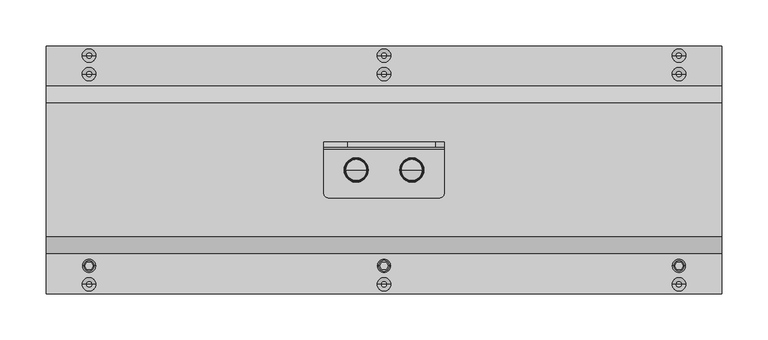
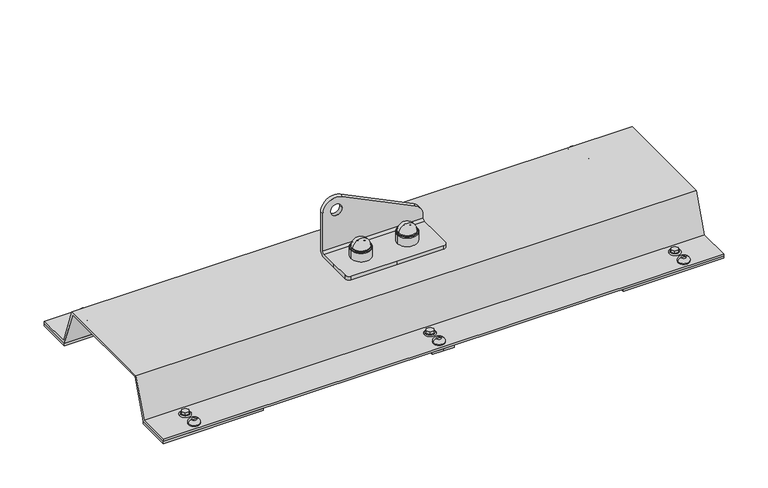
"""IFC4 building model written with IfcOpenShell, lengths in millimetres: proxy geometry."""

from ifc_helpers import new_model, si_unit, point, frame, origin, origin_with_axes, place, context, project, spatial, polyline, circle_curve, ellipse_curve, trimmed, outline, extrude, faceted_brep, source, transform, mapped, element, save
from ifc_brep_helpers import plane_surface, cylinder_surface, revolved_surface, advanced_brep


def specialty_equipment_d141619c(model_context):
    return source(origin(), model_context, "Body", "SolidModel", [
        advanced_brep(
        [(3270.0, -27.5, 61.0), (3257.0, -27.5, 61.0), (3283.0, -27.5, 61.0), (3258.8711318, -27.5, 74.769106), (3270.0, -27.5, 84.5), (3281.1288682, -27.5, 74.769106), (3258.3951125, -27.5, 74.0453749), (3281.6048875, -27.5, 74.0453749), (3257.4849619, -27.5, 73.4985013), (3282.5150381, -27.5, 73.4985013), (3257.0, -27.5, 72.641334), (3283.0, -27.5, 72.641334)],
        [
            (0, 1),
            (1, 2, circle_curve(frame((3270.0, -27.5, 61.0), z_axis=(0.0, 0.0, -1.0), x_axis=(1.0, 0.0, 0.0)), 13.0)),
            (2, 0),
            (2, 1, circle_curve(frame((3270.0, -27.5, 61.0), z_axis=(0.0, 0.0, -1.0), x_axis=(1.0, 0.0, 0.0)), 13.0)),
            (3, 4, circle_curve(frame((3270.0, -27.5, 73.2707129), z_axis=(0.0, 1.0, 0.0), x_axis=(1.0, 0.0, 0.0)), 11.2292871)),
            (4, 5, circle_curve(frame((3270.0, -27.5, 73.2707129), z_axis=(0.0, 1.0, 0.0), x_axis=(-1.0, 0.0, 0.0)), 11.2292871)),
            (5, 3, circle_curve(frame((3270.0, -27.5, 74.769106), z_axis=(0.0, 0.0, 1.0), x_axis=(1.0, 0.0, 0.0)), 11.1288682)),
            (3, 5, circle_curve(frame((3270.0, -27.5, 74.769106), z_axis=(0.0, 0.0, 1.0), x_axis=(1.0, 0.0, 0.0)), 11.1288682)),
            (6, 3, circle_curve(frame((3257.8800744, -27.5, 74.9025422), z_axis=(0.0, -1.0, 0.0), x_axis=(1.0, 0.0, 0.0)), 1.0)),
            (5, 7, circle_curve(frame((3282.1199256, -27.5, 74.9025422), z_axis=(0.0, -1.0, 0.0), x_axis=(-1.0, 0.0, 0.0)), 1.0)),
            (7, 6, circle_curve(frame((3270.0, -27.5, 74.0453749), z_axis=(0.0, 0.0, 1.0), x_axis=(1.0, 0.0, 0.0)), 11.6048875)),
            (6, 7, circle_curve(frame((3270.0, -27.5, 74.0453749), z_axis=(0.0, 0.0, 1.0), x_axis=(1.0, 0.0, 0.0)), 11.6048875)),
            (8, 6),
            (7, 9),
            (9, 8, circle_curve(frame((3270.0, -27.5, 73.4985013), z_axis=(0.0, 0.0, 1.0), x_axis=(1.0, 0.0, 0.0)), 12.5150381)),
            (8, 9, circle_curve(frame((3270.0, -27.5, 73.4985013), z_axis=(0.0, 0.0, 1.0), x_axis=(1.0, 0.0, 0.0)), 12.5150381)),
            (10, 8, circle_curve(frame((3258.0, -27.5, 72.641334), z_axis=(0.0, 1.0, 0.0), x_axis=(1.0, 0.0, 0.0)), 1.0)),
            (9, 11, circle_curve(frame((3282.0, -27.5, 72.641334), z_axis=(0.0, 1.0, 0.0), x_axis=(-1.0, 0.0, 0.0)), 1.0)),
            (11, 10, circle_curve(frame((3270.0, -27.5, 72.641334), z_axis=(0.0, 0.0, 1.0), x_axis=(1.0, 0.0, 0.0)), 13.0)),
            (10, 11, circle_curve(frame((3270.0, -27.5, 72.641334), z_axis=(0.0, 0.0, 1.0), x_axis=(1.0, 0.0, 0.0)), 13.0)),
            (1, 10),
            (11, 2),
        ],
        [
            plane_surface(frame((3270.0, -27.5, 61.0), z_axis=(0.0, 0.0, -1.0), x_axis=(1.0, 0.0, 0.0))),
            revolved_surface(trimmed(ellipse_curve(frame((3270.0, -27.5, 73.2707129), z_axis=(0.0, 1.0, 0.0), x_axis=(-1.0, 0.0, 0.0)), 11.2292871, 11.2292871), [point((3270.0, -27.5, 84.5))], [point((3281.1288682, -27.5, 74.769106))], True, "CARTESIAN"), (3270.0, -27.5, 53.3736575), (0.0, 0.0, -1.0)),
            revolved_surface(trimmed(ellipse_curve(frame((3282.1199256, -27.5, 74.9025422), z_axis=(0.0, -1.0, 0.0), x_axis=(-1.0, 0.0, 0.0)), 1.0, 1.0), [point((3281.1288682, -27.5, 74.769106))], [point((3281.6048875, -27.5, 74.0453749))], True, "CARTESIAN"), (3270.0, -27.5, 53.3736575), (0.0, 0.0, -1.0)),
            revolved_surface(polyline([(3281.6048875, -27.5, 74.0453749), (3282.5150381, -27.5, 73.4985013)]), (3270.0, -27.5, 53.3736575), (0.0, 0.0, -1.0)),
            revolved_surface(trimmed(ellipse_curve(frame((3282.0, -27.5, 72.641334), z_axis=(0.0, 1.0, 0.0), x_axis=(-1.0, 0.0, 0.0)), 1.0, 1.0), [point((3282.5150381, -27.5, 73.4985013))], [point((3283.0, -27.5, 72.641334))], True, "CARTESIAN"), (3270.0, -27.5, 53.3736575), (0.0, 0.0, -1.0)),
            cylinder_surface(frame((3270.0, -27.5, 53.3736575), z_axis=(0.0, 0.0, -1.0), x_axis=(1.0, 0.0, 0.0)), 13.0),
        ],
        [
            (0, [[1, 2, 3]]),
            (0, [[-3, 4, -1]]),
            (1, [[5, 6, 7]]),
            (1, [[-6, -5, 8]]),
            (2, [[9, -7, 10, 11]]),
            (2, [[-10, -8, -9, 12]]),
            (3, [[13, -11, 14, 15]]),
            (3, [[-14, -12, -13, 16]]),
            (4, [[17, -15, 18, 19]]),
            (4, [[-18, -16, -17, 20]]),
            (5, [[21, -19, 22, -2]]),
            (5, [[-22, -20, -21, -4]]),
        ],
    ),
        advanced_brep(
        [(3330.0, -27.5, 61.0), (3317.0, -27.5, 61.0), (3343.0, -27.5, 61.0), (3318.8711318, -27.5, 74.769106), (3330.0, -27.5, 84.5), (3341.1288682, -27.5, 74.769106), (3318.3951125, -27.5, 74.0453749), (3341.6048875, -27.5, 74.0453749), (3317.4849619, -27.5, 73.4985013), (3342.5150381, -27.5, 73.4985013), (3317.0, -27.5, 72.641334), (3343.0, -27.5, 72.641334)],
        [
            (0, 1),
            (1, 2, circle_curve(frame((3330.0, -27.5, 61.0), z_axis=(0.0, 0.0, -1.0), x_axis=(1.0, 0.0, 0.0)), 13.0)),
            (2, 0),
            (2, 1, circle_curve(frame((3330.0, -27.5, 61.0), z_axis=(0.0, 0.0, -1.0), x_axis=(1.0, 0.0, 0.0)), 13.0)),
            (3, 4, circle_curve(frame((3330.0, -27.5, 73.2707129), z_axis=(0.0, 1.0, 0.0), x_axis=(1.0, 0.0, 0.0)), 11.2292871)),
            (4, 5, circle_curve(frame((3330.0, -27.5, 73.2707129), z_axis=(0.0, 1.0, 0.0), x_axis=(-1.0, 0.0, 0.0)), 11.2292871)),
            (5, 3, circle_curve(frame((3330.0, -27.5, 74.769106), z_axis=(0.0, 0.0, 1.0), x_axis=(1.0, 0.0, 0.0)), 11.1288682)),
            (3, 5, circle_curve(frame((3330.0, -27.5, 74.769106), z_axis=(0.0, 0.0, 1.0), x_axis=(1.0, 0.0, 0.0)), 11.1288682)),
            (6, 3, circle_curve(frame((3317.8800744, -27.5, 74.9025422), z_axis=(0.0, -1.0, 0.0), x_axis=(1.0, 0.0, 0.0)), 1.0)),
            (5, 7, circle_curve(frame((3342.1199256, -27.5, 74.9025422), z_axis=(0.0, -1.0, 0.0), x_axis=(-1.0, 0.0, 0.0)), 1.0)),
            (7, 6, circle_curve(frame((3330.0, -27.5, 74.0453749), z_axis=(0.0, 0.0, 1.0), x_axis=(1.0, 0.0, 0.0)), 11.6048875)),
            (6, 7, circle_curve(frame((3330.0, -27.5, 74.0453749), z_axis=(0.0, 0.0, 1.0), x_axis=(1.0, 0.0, 0.0)), 11.6048875)),
            (8, 6),
            (7, 9),
            (9, 8, circle_curve(frame((3330.0, -27.5, 73.4985013), z_axis=(0.0, 0.0, 1.0), x_axis=(1.0, 0.0, 0.0)), 12.5150381)),
            (8, 9, circle_curve(frame((3330.0, -27.5, 73.4985013), z_axis=(0.0, 0.0, 1.0), x_axis=(1.0, 0.0, 0.0)), 12.5150381)),
            (10, 8, circle_curve(frame((3318.0, -27.5, 72.641334), z_axis=(0.0, 1.0, 0.0), x_axis=(1.0, 0.0, 0.0)), 1.0)),
            (9, 11, circle_curve(frame((3342.0, -27.5, 72.641334), z_axis=(0.0, 1.0, 0.0), x_axis=(-1.0, 0.0, 0.0)), 1.0)),
            (11, 10, circle_curve(frame((3330.0, -27.5, 72.641334), z_axis=(0.0, 0.0, 1.0), x_axis=(1.0, 0.0, 0.0)), 13.0)),
            (10, 11, circle_curve(frame((3330.0, -27.5, 72.641334), z_axis=(0.0, 0.0, 1.0), x_axis=(1.0, 0.0, 0.0)), 13.0)),
            (1, 10),
            (11, 2),
        ],
        [
            plane_surface(frame((3330.0, -27.5, 61.0), z_axis=(0.0, 0.0, -1.0), x_axis=(1.0, 0.0, 0.0))),
            revolved_surface(trimmed(ellipse_curve(frame((3330.0, -27.5, 73.2707129), z_axis=(0.0, 1.0, 0.0), x_axis=(-1.0, 0.0, 0.0)), 11.2292871, 11.2292871), [point((3330.0, -27.5, 84.5))], [point((3341.1288682, -27.5, 74.769106))], True, "CARTESIAN"), (3330.0, -27.5, 53.3736575), (0.0, 0.0, -1.0)),
            revolved_surface(trimmed(ellipse_curve(frame((3342.1199256, -27.5, 74.9025422), z_axis=(0.0, -1.0, 0.0), x_axis=(-1.0, 0.0, 0.0)), 1.0, 1.0), [point((3341.1288682, -27.5, 74.769106))], [point((3341.6048875, -27.5, 74.0453749))], True, "CARTESIAN"), (3330.0, -27.5, 53.3736575), (0.0, 0.0, -1.0)),
            revolved_surface(polyline([(3341.6048875, -27.5, 74.0453749), (3342.5150381, -27.5, 73.4985013)]), (3330.0, -27.5, 53.3736575), (0.0, 0.0, -1.0)),
            revolved_surface(trimmed(ellipse_curve(frame((3342.0, -27.5, 72.641334), z_axis=(0.0, 1.0, 0.0), x_axis=(-1.0, 0.0, 0.0)), 1.0, 1.0), [point((3342.5150381, -27.5, 73.4985013))], [point((3343.0, -27.5, 72.641334))], True, "CARTESIAN"), (3330.0, -27.5, 53.3736575), (0.0, 0.0, -1.0)),
            cylinder_surface(frame((3330.0, -27.5, 53.3736575), z_axis=(0.0, 0.0, -1.0), x_axis=(1.0, 0.0, 0.0)), 13.0),
        ],
        [
            (0, [[1, 2, 3]]),
            (0, [[-3, 4, -1]]),
            (1, [[5, 6, 7]]),
            (1, [[-6, -5, 8]]),
            (2, [[9, -7, 10, 11]]),
            (2, [[-10, -8, -9, 12]]),
            (3, [[13, -11, 14, 15]]),
            (3, [[-14, -12, -13, 16]]),
            (4, [[17, -15, 18, 19]]),
            (4, [[-18, -16, -17, 20]]),
            (5, [[21, -19, 22, -2]]),
            (5, [[-22, -20, -21, -4]]),
        ],
    ),
        advanced_brep(
        [(3235.0, -2.5, 114.5), (3235.0, -2.5, 64.0), (3365.0, -2.5, 64.0), (3365.0, -2.5, 68.1654041), (3355.1714951, -2.5, 83.8942999), (3260.1714951, -2.5, 130.2288958), (3245.0, -2.5, 114.5), (3260.0, -2.5, 114.5), (3365.0, 2.5, 68.1654041), (3365.0, 2.5, 64.0), (3235.0, 2.5, 64.0), (3235.0, 2.5, 114.5), (3260.1714951, 2.5, 130.2288958), (3355.1714951, 2.5, 83.8942999), (3245.0, 2.5, 114.5), (3260.0, 2.5, 114.5), (3365.0, -27.5, 61.0), (3365.0, -5.5, 61.0), (3235.0, -5.5, 61.0), (3235.0, -27.5, 61.0), (3235.0, -52.5, 61.0), (3240.0, -57.5, 61.0), (3300.0, -57.5, 61.0), (3360.0, -57.5, 61.0), (3365.0, -52.5, 61.0), (3235.0, -27.5, 56.0), (3235.0, -5.5, 56.0), (3365.0, -5.5, 56.0), (3365.0, -27.5, 56.0), (3365.0, -52.5, 56.0), (3360.0, -57.5, 56.0), (3300.0, -57.5, 56.0), (3240.0, -57.5, 56.0), (3235.0, -52.5, 56.0)],
        [
            (0, 1),
            (1, 2),
            (2, 3),
            (3, 4, circle_curve(frame((3347.5, -2.5, 68.1654041), z_axis=(0.0, -1.0, 0.0), x_axis=(1.0, 0.0, 0.0)), 17.5)),
            (4, 5),
            (5, 0, circle_curve(frame((3252.5, -2.5, 114.5), z_axis=(0.0, -1.0, 0.0), x_axis=(1.0, 0.0, 0.0)), 17.5)),
            (6, 7, circle_curve(frame((3252.5, -2.5, 114.5), z_axis=(0.0, 1.0, 0.0), x_axis=(1.0, 0.0, 0.0)), 7.5)),
            (7, 6, circle_curve(frame((3252.5, -2.5, 114.5), z_axis=(0.0, 1.0, 0.0), x_axis=(1.0, 0.0, 0.0)), 7.5)),
            (8, 9),
            (9, 10),
            (10, 11),
            (11, 12, circle_curve(frame((3252.5, 2.5, 114.5), z_axis=(0.0, 1.0, 0.0), x_axis=(1.0, 0.0, 0.0)), 17.5)),
            (12, 13),
            (13, 8, circle_curve(frame((3347.5, 2.5, 68.1654041), z_axis=(0.0, 1.0, 0.0), x_axis=(1.0, 0.0, 0.0)), 17.5)),
            (14, 15, circle_curve(frame((3252.5, 2.5, 114.5), z_axis=(0.0, -1.0, 0.0), x_axis=(1.0, 0.0, 0.0)), 7.5)),
            (15, 14, circle_curve(frame((3252.5, 2.5, 114.5), z_axis=(0.0, -1.0, 0.0), x_axis=(1.0, 0.0, 0.0)), 7.5)),
            (16, 17),
            (17, 18),
            (18, 19),
            (19, 20),
            (20, 21, circle_curve(frame((3240.0, -52.5, 61.0), z_axis=(0.0, 0.0, 1.0), x_axis=(0.0, 1.0, 0.0)), 5.0)),
            (21, 22),
            (22, 23),
            (23, 24, circle_curve(frame((3360.0, -52.5, 61.0), z_axis=(0.0, 0.0, 1.0), x_axis=(0.0, 1.0, 0.0)), 5.0)),
            (24, 16),
            (25, 26),
            (26, 27),
            (27, 28),
            (28, 29),
            (29, 30, circle_curve(frame((3360.0, -52.5, 56.0), z_axis=(0.0, 0.0, -1.0), x_axis=(0.0, 1.0, 0.0)), 5.0)),
            (30, 31),
            (31, 32),
            (32, 33, circle_curve(frame((3240.0, -52.5, 56.0), z_axis=(0.0, 0.0, -1.0), x_axis=(0.0, 1.0, 0.0)), 5.0)),
            (33, 25),
            (24, 29),
            (28, 16),
            (23, 30),
            (22, 31),
            (21, 32),
            (20, 33),
            (19, 25),
            (1, 18, circle_curve(frame((3235.0, -5.5, 64.0), z_axis=(-1.0, 0.0, 0.0), x_axis=(0.0, 1.0, 0.0)), 3.0)),
            (17, 2, circle_curve(frame((3365.0, -5.5, 64.0), z_axis=(1.0, 0.0, 0.0), x_axis=(0.0, 1.0, 0.0)), 3.0)),
            (10, 26, circle_curve(frame((3235.0, -5.5, 64.0), z_axis=(-1.0, 0.0, 0.0), x_axis=(0.0, 1.0, 0.0)), 8.0)),
            (0, 11),
            (5, 12),
            (4, 13),
            (3, 8),
            (27, 9, circle_curve(frame((3365.0, -5.5, 64.0), z_axis=(1.0, 0.0, 0.0), x_axis=(0.0, 1.0, 0.0)), 8.0)),
            (7, 15),
            (14, 6),
        ],
        [
            plane_surface(frame((3235.0, -2.5, 61.0), z_axis=(0.0, -1.0, 0.0), x_axis=(0.0, 0.0, 1.0))),
            plane_surface(frame((3235.0, 2.5, 61.0), z_axis=(0.0, 1.0, 0.0), x_axis=(0.0, 0.0, -1.0))),
            plane_surface(frame((3365.0, 2.5, 61.0), z_axis=(0.0, 0.0, 1.0), x_axis=(0.0, -1.0, 0.0))),
            plane_surface(frame((3365.0, 2.5, 56.0), z_axis=(0.0, 0.0, -1.0), x_axis=(0.0, 1.0, 0.0))),
            plane_surface(frame((3365.0, -27.5, 61.0), z_axis=(1.0, 0.0, 0.0), x_axis=(0.0, 0.0, -1.0))),
            cylinder_surface(frame((3360.0, -52.5, 56.0), z_axis=(0.0, 0.0, 1.0), x_axis=(0.0, 1.0, 0.0)), 5.0),
            plane_surface(frame((3360.0, -57.5, 61.0), z_axis=(0.0, -1.0, 0.0), x_axis=(0.0, 0.0, -1.0))),
            plane_surface(frame((3300.0, -57.5, 61.0), z_axis=(0.0, -1.0, 0.0), x_axis=(0.0, 0.0, -1.0))),
            cylinder_surface(frame((3240.0, -52.5, 56.0), z_axis=(0.0, 0.0, 1.0), x_axis=(0.0, 1.0, 0.0)), 5.0),
            plane_surface(frame((3235.0, -52.5, 61.0), z_axis=(-1.0, 0.0, 0.0), x_axis=(0.0, 0.0, -1.0))),
            revolved_surface(polyline([(3365.0, -2.5, 64.0), (3235.0, -2.5, 64.0)]), (3365.0, -5.5, 64.0), (1.0, 0.0, 0.0)),
            plane_surface(frame((3235.0, -2.5, 61.0), z_axis=(-1.0, 0.0, 0.0), x_axis=(0.0, 1.0, 0.0))),
            cylinder_surface(frame((3252.5, 2.5, 114.5), z_axis=(0.0, -1.0, 0.0), x_axis=(1.0, 0.0, 0.0)), 17.5),
            plane_surface(frame((3260.1714951, -2.5, 130.2288958), z_axis=(0.43837114678908046, 0.0, 0.8987940462991656), x_axis=(0.0, 1.0, 0.0))),
            cylinder_surface(frame((3347.5, 2.5, 68.1654041), z_axis=(0.0, -1.0, 0.0), x_axis=(1.0, 0.0, 0.0)), 17.5),
            plane_surface(frame((3365.0, -2.5, 68.1654041), z_axis=(1.0, 0.0, 0.0), x_axis=(0.0, 1.0, 0.0))),
            cylinder_surface(frame((3365.0, -5.5, 64.0), z_axis=(1.0, 0.0, 0.0), x_axis=(0.0, 1.0, 0.0)), 8.0),
            revolved_surface(polyline([(3260.0, 2.5, 114.5), (3260.0, -2.5, 114.5)]), (3252.5, 106.0, 114.5), (0.0, 1.0, 0.0)),
        ],
        [
            (0, [[1, 2, 3, 4, 5, 6], [7, 8]]),
            (1, [[9, 10, 11, 12, 13, 14], [15, 16]]),
            (2, [[17, 18, 19, 20, 21, 22, 23, 24, 25]]),
            (3, [[26, 27, 28, 29, 30, 31, 32, 33, 34]]),
            (4, [[35, -29, 36, -25]]),
            (5, [[37, -30, -35, -24]]),
            (6, [[38, -31, -37, -23]]),
            (7, [[39, -32, -38, -22]]),
            (8, [[40, -33, -39, -21]]),
            (9, [[41, -34, -40, -20]]),
            (10, [[-2, 42, -18, 43]]),
            (11, [[-11, 44, -26, -41, -19, -42, -1, 45]]),
            (12, [[46, -12, -45, -6]]),
            (13, [[47, -13, -46, -5]]),
            (14, [[48, -14, -47, -4]]),
            (15, [[-3, -43, -17, -36, -28, 49, -9, -48]]),
            (16, [[-49, -27, -44, -10]]),
            (17, [[50, -15, 51, -8]]),
            (17, [[-51, -16, -50, -7]]),
        ],
    ),
        extrude(outline(polyline([(61.0, 3.0), (42.7695663, 53.0877048), (-97.7695663, 53.0877048), (-116.0, 3.0), (-161.0, 3.0), (-161.0, 6.0), (-118.1006226, 6.0), (-99.870189, 56.0877048), (44.870189, 56.0877048), (63.1006226, 6.0), (106.0, 6.0), (106.0, 3.0), (61.0, 3.0)])), frame((2936.0, 0.0, 0.0), z_axis=(1.0, 0.0, 0.0), x_axis=(0.0, 1.0, 0.0)), (0.0, 0.0, 1.0), 728.0),
        extrude(outline(polyline([(3534.0, 106.0), (3664.0, 106.0), (3664.0, 61.0), (3534.0, 61.0), (3534.0, 106.0)])), origin_with_axes(), (0.0, 0.0, 1.0), 3.0),
        extrude(outline(polyline([(3066.0, 106.0), (3066.0, 61.0), (2936.0, 61.0), (2936.0, 106.0), (3066.0, 106.0)])), origin_with_axes(), (0.0, 0.0, 1.0), 3.0),
        extrude(outline(polyline([(3534.0, -161.0), (3534.0, -116.0), (3664.0, -116.0), (3664.0, -161.0), (3534.0, -161.0)])), origin_with_axes(), (0.0, 0.0, 1.0), 3.0),
        extrude(outline(polyline([(3066.0, -161.0), (2936.0, -161.0), (2936.0, -116.0), (3066.0, -116.0), (3066.0, -161.0)])), origin_with_axes(), (0.0, 0.0, 1.0), 3.0),
        extrude(outline(polyline([(3300.0, 106.0), (3314.1113894, 106.0), (3314.1113894, 61.0), (3300.0, 61.0), (3285.8886106, 61.0), (3285.8886106, 106.0), (3300.0, 106.0)])), origin_with_axes(), (0.0, 0.0, 1.0), 3.0),
        extrude(outline(polyline([(3300.0, -161.0), (3285.8886106, -161.0), (3285.8886106, -116.0), (3300.0, -116.0), (3314.1113894, -116.0), (3314.1113894, -161.0), (3300.0, -161.0)])), origin_with_axes(), (0.0, 0.0, 1.0), 3.0),
        faceted_brep([(3613.4048805, -131.0, 11.0), (3615.7024402, -134.9794903, 11.0), (3620.2975598, -134.9794903, 11.0), (3622.5951195, -131.0, 11.0), (3620.2975598, -127.0205097, 11.0), (3615.7024402, -127.0205097, 11.0), (3613.4048805, -131.0, 7.5), (3615.7024402, -127.0205097, 7.5), (3620.2975598, -127.0205097, 7.5), (3622.5951195, -131.0, 7.5), (3620.2975598, -134.9794903, 7.5), (3615.7024402, -134.9794903, 7.5)], [[[0, 1, 2, 3, 4, 5]], [[6, 7, 8, 9, 10, 11]], [[5, 7, 6, 0]], [[4, 8, 7, 5]], [[3, 9, 8, 4]], [[2, 10, 9, 3]], [[1, 11, 10, 2]], [[0, 6, 11, 1]]]),
        advanced_brep(
        [(3295.4048805, -131.0, 11.0), (3297.7024402, -134.9794903, 11.0), (3302.2975598, -134.9794903, 11.0), (3304.5951195, -131.0, 11.0), (3302.2975598, -127.0205097, 11.0), (3297.7024402, -127.0205097, 11.0), (3297.7024402, -127.0205097, 7.5), (3295.4048805, -131.0, 7.5), (3302.2975598, -127.0205097, 7.5), (3304.5951195, -131.0, 7.5), (3302.2975598, -134.9794903, 7.5), (3297.7024402, -134.9794903, 7.5), (3292.7154193, -131.0, 6.0), (3300.0, -131.0, 6.0), (3307.2845807, -131.0, 6.0), (3305.7845807, -131.0, 7.5), (3294.2154193, -131.0, 7.5)],
        [
            (0, 1),
            (1, 2),
            (2, 3),
            (3, 4),
            (4, 5),
            (5, 0),
            (5, 6),
            (6, 7),
            (7, 0),
            (4, 8),
            (8, 6),
            (3, 9),
            (9, 8),
            (2, 10),
            (10, 9),
            (1, 11),
            (11, 10),
            (7, 11),
            (12, 13),
            (13, 14),
            (14, 12, circle_curve(frame((3300.0, -131.0, 6.0), z_axis=(0.0, 0.0, -1.0), x_axis=(1.0, 0.0, 0.0)), 7.2845807)),
            (12, 14, circle_curve(frame((3300.0, -131.0, 6.0), z_axis=(0.0, 0.0, -1.0), x_axis=(1.0, 0.0, 0.0)), 7.2845807)),
            (15, 9),
            (7, 16),
            (16, 15, circle_curve(frame((3300.0, -131.0, 7.5), z_axis=(0.0, 0.0, 1.0), x_axis=(1.0, 0.0, 0.0)), 5.7845807)),
            (15, 16, circle_curve(frame((3300.0, -131.0, 7.5), z_axis=(0.0, 0.0, 1.0), x_axis=(1.0, 0.0, 0.0)), 5.7845807)),
            (14, 15, circle_curve(frame((3305.7845807, -131.0, 6.0), z_axis=(0.0, -1.0, 0.0), x_axis=(1.0, 0.0, 0.0)), 1.5)),
            (16, 12, circle_curve(frame((3294.2154193, -131.0, 6.0), z_axis=(0.0, -1.0, 0.0), x_axis=(-1.0, 0.0, 0.0)), 1.5)),
        ],
        [
            plane_surface(frame((3615.7024402, -127.0205097, 11.0), z_axis=(0.0, 0.0, 1.0), x_axis=(0.49999999999903916, 0.8660254037849934, 0.0))),
            plane_surface(frame((3295.4048805, -131.0, 11.0), z_axis=(-0.8660254037844972, 0.4999999999998985, 0.0), x_axis=(0.0, 0.0, -1.0))),
            plane_surface(frame((3297.7024402, -127.0205097, 11.0), z_axis=(0.0, 1.0, 0.0), x_axis=(0.0, 0.0, -1.0))),
            plane_surface(frame((3302.2975598, -127.0205097, 11.0), z_axis=(0.86602540378451, 0.49999999999987643, 0.0), x_axis=(0.0, 0.0, -1.0))),
            plane_surface(frame((3304.5951195, -131.0, 11.0), z_axis=(0.8660254037843756, -0.5000000000001092, 0.0), x_axis=(0.0, 0.0, -1.0))),
            plane_surface(frame((3302.2975598, -134.9794903, 11.0), z_axis=(0.0, -1.0, 0.0), x_axis=(0.0, 0.0, -1.0))),
            plane_surface(frame((3297.7024402, -134.9794903, 11.0), z_axis=(-0.8660254037843756, -0.5000000000001092, 0.0), x_axis=(0.0, 0.0, -1.0))),
            plane_surface(frame((3300.0, -131.0, 6.0), z_axis=(0.0, 0.0, -1.0), x_axis=(1.0, 0.0, 0.0))),
            plane_surface(frame((3300.0, -131.0, 7.5), z_axis=(0.0, 0.0, 1.0), x_axis=(1.0, 0.0, 0.0))),
            revolved_surface(trimmed(ellipse_curve(frame((3305.7845807, -131.0, 6.0), z_axis=(0.0, -1.0, 0.0), x_axis=(1.0, 0.0, 0.0)), 1.5, 1.5), [point((3307.2845807, -131.0, 6.0))], [point((3305.7845807, -131.0, 7.5))], True, "CARTESIAN"), (3300.0, -131.0, -55.0), (0.0, 0.0, 1.0)),
        ],
        [
            (0, [[1, 2, 3, 4, 5, 6]]),
            (1, [[7, 8, 9, -6]]),
            (2, [[10, 11, -7, -5]]),
            (3, [[12, 13, -10, -4]]),
            (4, [[14, 15, -12, -3]]),
            (5, [[16, 17, -14, -2]]),
            (6, [[-9, 18, -16, -1]]),
            (7, [[19, 20, 21]]),
            (7, [[-19, 22, -20]]),
            (8, [[23, -15, -17, -18, 24, 25]]),
            (8, [[-24, -8, -11, -13, -23, 26]]),
            (9, [[27, -25, 28, -21]]),
            (9, [[-28, -26, -27, -22]]),
        ],
    ),
        faceted_brep([(2986.5951195, -131.0, 11.0), (2984.2975598, -127.0205097, 11.0), (2979.7024402, -127.0205097, 11.0), (2977.4048805, -131.0, 11.0), (2979.7024402, -134.9794903, 11.0), (2984.2975598, -134.9794903, 11.0), (2986.5951195, -131.0, 7.5), (2984.2975598, -134.9794903, 7.5), (2979.7024402, -134.9794903, 7.5), (2977.4048805, -131.0, 7.5), (2979.7024402, -127.0205097, 7.5), (2984.2975598, -127.0205097, 7.5)], [[[0, 1, 2, 3, 4, 5]], [[6, 7, 8, 9, 10, 11]], [[5, 7, 6, 0]], [[4, 8, 7, 5]], [[3, 9, 8, 4]], [[2, 10, 9, 3]], [[1, 11, 10, 2]], [[0, 6, 11, 1]]]),
        advanced_brep(
        [(2974.7019875, -151.0, 6.0), (2982.0, -151.0, 6.0), (2989.2980125, -151.0, 6.0), (2974.7019875, -151.0, 7.5), (2989.2980125, -151.0, 7.5), (2978.7019875, -151.0, 11.5), (2985.2980125, -151.0, 11.5), (2982.0, -151.0, 11.5)],
        [
            (0, 1),
            (1, 2),
            (2, 0, circle_curve(frame((2982.0, -151.0, 6.0), z_axis=(0.0, 0.0, -1.0), x_axis=(1.0, 0.0, 0.0)), 7.2980125)),
            (0, 2, circle_curve(frame((2982.0, -151.0, 6.0), z_axis=(0.0, 0.0, -1.0), x_axis=(1.0, 0.0, 0.0)), 7.2980125)),
            (3, 0),
            (2, 4),
            (4, 3, circle_curve(frame((2982.0, -151.0, 7.5), z_axis=(0.0, 0.0, -1.0), x_axis=(1.0, 0.0, 0.0)), 7.2980125)),
            (3, 4, circle_curve(frame((2982.0, -151.0, 7.5), z_axis=(0.0, 0.0, -1.0), x_axis=(1.0, 0.0, 0.0)), 7.2980125)),
            (5, 3, circle_curve(frame((2978.7019875, -151.0, 7.5), z_axis=(0.0, -1.0, 0.0), x_axis=(-1.0, 0.0, 0.0)), 4.0)),
            (4, 6, circle_curve(frame((2985.2980125, -151.0, 7.5), z_axis=(0.0, -1.0, 0.0), x_axis=(1.0, 0.0, 0.0)), 4.0)),
            (6, 5, circle_curve(frame((2982.0, -151.0, 11.5), z_axis=(0.0, 0.0, -1.0), x_axis=(1.0, 0.0, 0.0)), 3.2980125)),
            (5, 6, circle_curve(frame((2982.0, -151.0, 11.5), z_axis=(0.0, 0.0, -1.0), x_axis=(1.0, 0.0, 0.0)), 3.2980125)),
            (7, 5),
            (6, 7),
        ],
        [
            plane_surface(frame((2982.0, -151.0, 6.0), z_axis=(0.0, 0.0, -1.0), x_axis=(1.0, 0.0, 0.0))),
            cylinder_surface(frame((2982.0, -151.0, -55.0), z_axis=(0.0, 0.0, 1.0), x_axis=(1.0, 0.0, 0.0)), 7.2980125),
            revolved_surface(trimmed(ellipse_curve(frame((2985.2980125, -151.0, 7.5), z_axis=(0.0, -1.0, 0.0), x_axis=(1.0, 0.0, 0.0)), 4.0, 4.0), [point((2989.2980125, -151.0, 7.5))], [point((2985.2980125, -151.0, 11.5))], True, "CARTESIAN"), (2982.0, -151.0, -55.0), (0.0, 0.0, 1.0)),
            plane_surface(frame((2982.0, -151.0, 11.5), z_axis=(0.0, 0.0, 1.0), x_axis=(1.0, 0.0, 0.0))),
        ],
        [
            (0, [[1, 2, 3]]),
            (0, [[-2, -1, 4]]),
            (1, [[5, -3, 6, 7]]),
            (1, [[-6, -4, -5, 8]]),
            (2, [[9, -7, 10, 11]]),
            (2, [[-10, -8, -9, 12]]),
            (3, [[13, -11, 14]]),
            (3, [[-14, -12, -13]]),
        ],
    ),
        advanced_brep(
        [(3292.7019875, -151.0, 6.0), (3300.0, -151.0, 6.0), (3307.2980125, -151.0, 6.0), (3292.7019875, -151.0, 7.5), (3307.2980125, -151.0, 7.5), (3296.7019875, -151.0, 11.5), (3303.2980125, -151.0, 11.5), (3300.0, -151.0, 11.5)],
        [
            (0, 1),
            (1, 2),
            (2, 0, circle_curve(frame((3300.0, -151.0, 6.0), z_axis=(0.0, 0.0, -1.0), x_axis=(1.0, 0.0, 0.0)), 7.2980125)),
            (0, 2, circle_curve(frame((3300.0, -151.0, 6.0), z_axis=(0.0, 0.0, -1.0), x_axis=(1.0, 0.0, 0.0)), 7.2980125)),
            (3, 0),
            (2, 4),
            (4, 3, circle_curve(frame((3300.0, -151.0, 7.5), z_axis=(0.0, 0.0, -1.0), x_axis=(1.0, 0.0, 0.0)), 7.2980125)),
            (3, 4, circle_curve(frame((3300.0, -151.0, 7.5), z_axis=(0.0, 0.0, -1.0), x_axis=(1.0, 0.0, 0.0)), 7.2980125)),
            (5, 3, circle_curve(frame((3296.7019875, -151.0, 7.5), z_axis=(0.0, -1.0, 0.0), x_axis=(-1.0, 0.0, 0.0)), 4.0)),
            (4, 6, circle_curve(frame((3303.2980125, -151.0, 7.5), z_axis=(0.0, -1.0, 0.0), x_axis=(1.0, 0.0, 0.0)), 4.0)),
            (6, 5, circle_curve(frame((3300.0, -151.0, 11.5), z_axis=(0.0, 0.0, -1.0), x_axis=(1.0, 0.0, 0.0)), 3.2980125)),
            (5, 6, circle_curve(frame((3300.0, -151.0, 11.5), z_axis=(0.0, 0.0, -1.0), x_axis=(1.0, 0.0, 0.0)), 3.2980125)),
            (7, 5),
            (6, 7),
        ],
        [
            plane_surface(frame((3300.0, -151.0, 6.0), z_axis=(0.0, 0.0, -1.0), x_axis=(1.0, 0.0, 0.0))),
            cylinder_surface(frame((3300.0, -151.0, -55.0), z_axis=(0.0, 0.0, 1.0), x_axis=(1.0, 0.0, 0.0)), 7.2980125),
            revolved_surface(trimmed(ellipse_curve(frame((3303.2980125, -151.0, 7.5), z_axis=(0.0, -1.0, 0.0), x_axis=(1.0, 0.0, 0.0)), 4.0, 4.0), [point((3307.2980125, -151.0, 7.5))], [point((3303.2980125, -151.0, 11.5))], True, "CARTESIAN"), (3300.0, -151.0, -55.0), (0.0, 0.0, 1.0)),
            plane_surface(frame((3300.0, -151.0, 11.5), z_axis=(0.0, 0.0, 1.0), x_axis=(1.0, 0.0, 0.0))),
        ],
        [
            (0, [[1, 2, 3]]),
            (0, [[-2, -1, 4]]),
            (1, [[5, -3, 6, 7]]),
            (1, [[-6, -4, -5, 8]]),
            (2, [[9, -7, 10, 11]]),
            (2, [[-10, -8, -9, 12]]),
            (3, [[13, -11, 14]]),
            (3, [[-14, -12, -13]]),
        ],
    ),
        advanced_brep(
        [(3610.7019875, -151.0, 6.0), (3618.0, -151.0, 6.0), (3625.2980125, -151.0, 6.0), (3610.7019875, -151.0, 7.5), (3625.2980125, -151.0, 7.5), (3614.7019875, -151.0, 11.5), (3621.2980125, -151.0, 11.5), (3618.0, -151.0, 11.5)],
        [
            (0, 1),
            (1, 2),
            (2, 0, circle_curve(frame((3618.0, -151.0, 6.0), z_axis=(0.0, 0.0, -1.0), x_axis=(1.0, 0.0, 0.0)), 7.2980125)),
            (0, 2, circle_curve(frame((3618.0, -151.0, 6.0), z_axis=(0.0, 0.0, -1.0), x_axis=(1.0, 0.0, 0.0)), 7.2980125)),
            (3, 0),
            (2, 4),
            (4, 3, circle_curve(frame((3618.0, -151.0, 7.5), z_axis=(0.0, 0.0, -1.0), x_axis=(1.0, 0.0, 0.0)), 7.2980125)),
            (3, 4, circle_curve(frame((3618.0, -151.0, 7.5), z_axis=(0.0, 0.0, -1.0), x_axis=(1.0, 0.0, 0.0)), 7.2980125)),
            (5, 3, circle_curve(frame((3614.7019875, -151.0, 7.5), z_axis=(0.0, -1.0, 0.0), x_axis=(-1.0, 0.0, 0.0)), 4.0)),
            (4, 6, circle_curve(frame((3621.2980125, -151.0, 7.5), z_axis=(0.0, -1.0, 0.0), x_axis=(1.0, 0.0, 0.0)), 4.0)),
            (6, 5, circle_curve(frame((3618.0, -151.0, 11.5), z_axis=(0.0, 0.0, -1.0), x_axis=(1.0, 0.0, 0.0)), 3.2980125)),
            (5, 6, circle_curve(frame((3618.0, -151.0, 11.5), z_axis=(0.0, 0.0, -1.0), x_axis=(1.0, 0.0, 0.0)), 3.2980125)),
            (7, 5),
            (6, 7),
        ],
        [
            plane_surface(frame((3618.0, -151.0, 6.0), z_axis=(0.0, 0.0, -1.0), x_axis=(1.0, 0.0, 0.0))),
            cylinder_surface(frame((3618.0, -151.0, -55.0), z_axis=(0.0, 0.0, 1.0), x_axis=(1.0, 0.0, 0.0)), 7.2980125),
            revolved_surface(trimmed(ellipse_curve(frame((3621.2980125, -151.0, 7.5), z_axis=(0.0, -1.0, 0.0), x_axis=(1.0, 0.0, 0.0)), 4.0, 4.0), [point((3625.2980125, -151.0, 7.5))], [point((3621.2980125, -151.0, 11.5))], True, "CARTESIAN"), (3618.0, -151.0, -55.0), (0.0, 0.0, 1.0)),
            plane_surface(frame((3618.0, -151.0, 11.5), z_axis=(0.0, 0.0, 1.0), x_axis=(1.0, 0.0, 0.0))),
        ],
        [
            (0, [[1, 2, 3]]),
            (0, [[-2, -1, 4]]),
            (1, [[5, -3, 6, 7]]),
            (1, [[-6, -4, -5, 8]]),
            (2, [[9, -7, 10, 11]]),
            (2, [[-10, -8, -9, 12]]),
            (3, [[13, -11, 14]]),
            (3, [[-14, -12, -13]]),
        ],
    ),
        advanced_brep(
        [(2989.2980125, 76.0, 6.0), (2982.0, 76.0, 6.0), (2974.7019875, 76.0, 6.0), (2989.2980125, 76.0, 7.5), (2974.7019875, 76.0, 7.5), (2985.2980125, 76.0, 11.5), (2978.7019875, 76.0, 11.5), (2982.0, 76.0, 11.5)],
        [
            (0, 1),
            (1, 2),
            (2, 0, circle_curve(frame((2982.0, 76.0, 6.0), z_axis=(0.0, 0.0, -1.0), x_axis=(-1.0, 0.0, 0.0)), 7.2980125)),
            (0, 2, circle_curve(frame((2982.0, 76.0, 6.0), z_axis=(0.0, 0.0, -1.0), x_axis=(-1.0, 0.0, 0.0)), 7.2980125)),
            (3, 0),
            (2, 4),
            (4, 3, circle_curve(frame((2982.0, 76.0, 7.5), z_axis=(0.0, 0.0, -1.0), x_axis=(-1.0, 0.0, 0.0)), 7.2980125)),
            (3, 4, circle_curve(frame((2982.0, 76.0, 7.5), z_axis=(0.0, 0.0, -1.0), x_axis=(-1.0, 0.0, 0.0)), 7.2980125)),
            (5, 3, circle_curve(frame((2985.2980125, 76.0, 7.5), z_axis=(0.0, 1.0, 0.0), x_axis=(-1.0, 0.0, 0.0)), 4.0)),
            (4, 6, circle_curve(frame((2978.7019875, 76.0, 7.5), z_axis=(0.0, 1.0, 0.0), x_axis=(1.0, 0.0, 0.0)), 4.0)),
            (6, 5, circle_curve(frame((2982.0, 76.0, 11.5), z_axis=(0.0, 0.0, -1.0), x_axis=(-1.0, 0.0, 0.0)), 3.2980125)),
            (5, 6, circle_curve(frame((2982.0, 76.0, 11.5), z_axis=(0.0, 0.0, -1.0), x_axis=(-1.0, 0.0, 0.0)), 3.2980125)),
            (7, 5),
            (6, 7),
        ],
        [
            plane_surface(frame((2982.0, 76.0, 6.0), z_axis=(0.0, 0.0, -1.0), x_axis=(-1.0, 0.0, 0.0))),
            cylinder_surface(frame((2982.0, 76.0, -55.0), z_axis=(0.0, 0.0, 1.0), x_axis=(-1.0, 0.0, 0.0)), 7.2980125),
            revolved_surface(trimmed(ellipse_curve(frame((2978.7019875, 76.0, 7.5), z_axis=(0.0, 1.0, 0.0), x_axis=(1.0, 0.0, 0.0)), 4.0, 4.0), [point((2974.7019875, 76.0, 7.5))], [point((2978.7019875, 76.0, 11.5))], True, "CARTESIAN"), (2982.0, 76.0, -55.0), (0.0, 0.0, 1.0)),
            plane_surface(frame((2982.0, 76.0, 11.5), z_axis=(0.0, 0.0, 1.0), x_axis=(-1.0, 0.0, 0.0))),
        ],
        [
            (0, [[1, 2, 3]]),
            (0, [[-2, -1, 4]]),
            (1, [[5, -3, 6, 7]]),
            (1, [[-6, -4, -5, 8]]),
            (2, [[9, -7, 10, 11]]),
            (2, [[-10, -8, -9, 12]]),
            (3, [[13, -11, 14]]),
            (3, [[-14, -12, -13]]),
        ],
    ),
        advanced_brep(
        [(3307.2980125, 76.0, 6.0), (3300.0, 76.0, 6.0), (3292.7019875, 76.0, 6.0), (3307.2980125, 76.0, 7.5), (3292.7019875, 76.0, 7.5), (3303.2980125, 76.0, 11.5), (3296.7019875, 76.0, 11.5), (3300.0, 76.0, 11.5)],
        [
            (0, 1),
            (1, 2),
            (2, 0, circle_curve(frame((3300.0, 76.0, 6.0), z_axis=(0.0, 0.0, -1.0), x_axis=(-1.0, 0.0, 0.0)), 7.2980125)),
            (0, 2, circle_curve(frame((3300.0, 76.0, 6.0), z_axis=(0.0, 0.0, -1.0), x_axis=(-1.0, 0.0, 0.0)), 7.2980125)),
            (3, 0),
            (2, 4),
            (4, 3, circle_curve(frame((3300.0, 76.0, 7.5), z_axis=(0.0, 0.0, -1.0), x_axis=(-1.0, 0.0, 0.0)), 7.2980125)),
            (3, 4, circle_curve(frame((3300.0, 76.0, 7.5), z_axis=(0.0, 0.0, -1.0), x_axis=(-1.0, 0.0, 0.0)), 7.2980125)),
            (5, 3, circle_curve(frame((3303.2980125, 76.0, 7.5), z_axis=(0.0, 1.0, 0.0), x_axis=(-1.0, 0.0, 0.0)), 4.0)),
            (4, 6, circle_curve(frame((3296.7019875, 76.0, 7.5), z_axis=(0.0, 1.0, 0.0), x_axis=(1.0, 0.0, 0.0)), 4.0)),
            (6, 5, circle_curve(frame((3300.0, 76.0, 11.5), z_axis=(0.0, 0.0, -1.0), x_axis=(-1.0, 0.0, 0.0)), 3.2980125)),
            (5, 6, circle_curve(frame((3300.0, 76.0, 11.5), z_axis=(0.0, 0.0, -1.0), x_axis=(-1.0, 0.0, 0.0)), 3.2980125)),
            (7, 5),
            (6, 7),
        ],
        [
            plane_surface(frame((3300.0, 76.0, 6.0), z_axis=(0.0, 0.0, -1.0), x_axis=(-1.0, 0.0, 0.0))),
            cylinder_surface(frame((3300.0, 76.0, -55.0), z_axis=(0.0, 0.0, 1.0), x_axis=(-1.0, 0.0, 0.0)), 7.2980125),
            revolved_surface(trimmed(ellipse_curve(frame((3296.7019875, 76.0, 7.5), z_axis=(0.0, 1.0, 0.0), x_axis=(1.0, 0.0, 0.0)), 4.0, 4.0), [point((3292.7019875, 76.0, 7.5))], [point((3296.7019875, 76.0, 11.5))], True, "CARTESIAN"), (3300.0, 76.0, -55.0), (0.0, 0.0, 1.0)),
            plane_surface(frame((3300.0, 76.0, 11.5), z_axis=(0.0, 0.0, 1.0), x_axis=(-1.0, 0.0, 0.0))),
        ],
        [
            (0, [[1, 2, 3]]),
            (0, [[-2, -1, 4]]),
            (1, [[5, -3, 6, 7]]),
            (1, [[-6, -4, -5, 8]]),
            (2, [[9, -7, 10, 11]]),
            (2, [[-10, -8, -9, 12]]),
            (3, [[13, -11, 14]]),
            (3, [[-14, -12, -13]]),
        ],
    ),
        advanced_brep(
        [(3625.2980125, 76.0, 6.0), (3618.0, 76.0, 6.0), (3610.7019875, 76.0, 6.0), (3625.2980125, 76.0, 7.5), (3610.7019875, 76.0, 7.5), (3621.2980125, 76.0, 11.5), (3614.7019875, 76.0, 11.5), (3618.0, 76.0, 11.5)],
        [
            (0, 1),
            (1, 2),
            (2, 0, circle_curve(frame((3618.0, 76.0, 6.0), z_axis=(0.0, 0.0, -1.0), x_axis=(-1.0, 0.0, 0.0)), 7.2980125)),
            (0, 2, circle_curve(frame((3618.0, 76.0, 6.0), z_axis=(0.0, 0.0, -1.0), x_axis=(-1.0, 0.0, 0.0)), 7.2980125)),
            (3, 0),
            (2, 4),
            (4, 3, circle_curve(frame((3618.0, 76.0, 7.5), z_axis=(0.0, 0.0, -1.0), x_axis=(-1.0, 0.0, 0.0)), 7.2980125)),
            (3, 4, circle_curve(frame((3618.0, 76.0, 7.5), z_axis=(0.0, 0.0, -1.0), x_axis=(-1.0, 0.0, 0.0)), 7.2980125)),
            (5, 3, circle_curve(frame((3621.2980125, 76.0, 7.5), z_axis=(0.0, 1.0, 0.0), x_axis=(-1.0, 0.0, 0.0)), 4.0)),
            (4, 6, circle_curve(frame((3614.7019875, 76.0, 7.5), z_axis=(0.0, 1.0, 0.0), x_axis=(1.0, 0.0, 0.0)), 4.0)),
            (6, 5, circle_curve(frame((3618.0, 76.0, 11.5), z_axis=(0.0, 0.0, -1.0), x_axis=(-1.0, 0.0, 0.0)), 3.2980125)),
            (5, 6, circle_curve(frame((3618.0, 76.0, 11.5), z_axis=(0.0, 0.0, -1.0), x_axis=(-1.0, 0.0, 0.0)), 3.2980125)),
            (7, 5),
            (6, 7),
        ],
        [
            plane_surface(frame((3618.0, 76.0, 6.0), z_axis=(0.0, 0.0, -1.0), x_axis=(-1.0, 0.0, 0.0))),
            cylinder_surface(frame((3618.0, 76.0, -55.0), z_axis=(0.0, 0.0, 1.0), x_axis=(-1.0, 0.0, 0.0)), 7.2980125),
            revolved_surface(trimmed(ellipse_curve(frame((3614.7019875, 76.0, 7.5), z_axis=(0.0, 1.0, 0.0), x_axis=(1.0, 0.0, 0.0)), 4.0, 4.0), [point((3610.7019875, 76.0, 7.5))], [point((3614.7019875, 76.0, 11.5))], True, "CARTESIAN"), (3618.0, 76.0, -55.0), (0.0, 0.0, 1.0)),
            plane_surface(frame((3618.0, 76.0, 11.5), z_axis=(0.0, 0.0, 1.0), x_axis=(-1.0, 0.0, 0.0))),
        ],
        [
            (0, [[1, 2, 3]]),
            (0, [[-2, -1, 4]]),
            (1, [[5, -3, 6, 7]]),
            (1, [[-6, -4, -5, 8]]),
            (2, [[9, -7, 10, 11]]),
            (2, [[-10, -8, -9, 12]]),
            (3, [[13, -11, 14]]),
            (3, [[-14, -12, -13]]),
        ],
    ),
        advanced_brep(
        [(2989.2980125, 96.0, 6.0), (2982.0, 96.0, 6.0), (2974.7019875, 96.0, 6.0), (2989.2980125, 96.0, 7.5), (2974.7019875, 96.0, 7.5), (2985.2980125, 96.0, 11.5), (2978.7019875, 96.0, 11.5), (2982.0, 96.0, 11.5)],
        [
            (0, 1),
            (1, 2),
            (2, 0, circle_curve(frame((2982.0, 96.0, 6.0), z_axis=(0.0, 0.0, -1.0), x_axis=(-1.0, 0.0, 0.0)), 7.2980125)),
            (0, 2, circle_curve(frame((2982.0, 96.0, 6.0), z_axis=(0.0, 0.0, -1.0), x_axis=(-1.0, 0.0, 0.0)), 7.2980125)),
            (3, 0),
            (2, 4),
            (4, 3, circle_curve(frame((2982.0, 96.0, 7.5), z_axis=(0.0, 0.0, -1.0), x_axis=(-1.0, 0.0, 0.0)), 7.2980125)),
            (3, 4, circle_curve(frame((2982.0, 96.0, 7.5), z_axis=(0.0, 0.0, -1.0), x_axis=(-1.0, 0.0, 0.0)), 7.2980125)),
            (5, 3, circle_curve(frame((2985.2980125, 96.0, 7.5), z_axis=(0.0, 1.0, 0.0), x_axis=(-1.0, 0.0, 0.0)), 4.0)),
            (4, 6, circle_curve(frame((2978.7019875, 96.0, 7.5), z_axis=(0.0, 1.0, 0.0), x_axis=(1.0, 0.0, 0.0)), 4.0)),
            (6, 5, circle_curve(frame((2982.0, 96.0, 11.5), z_axis=(0.0, 0.0, -1.0), x_axis=(-1.0, 0.0, 0.0)), 3.2980125)),
            (5, 6, circle_curve(frame((2982.0, 96.0, 11.5), z_axis=(0.0, 0.0, -1.0), x_axis=(-1.0, 0.0, 0.0)), 3.2980125)),
            (7, 5),
            (6, 7),
        ],
        [
            plane_surface(frame((2982.0, 96.0, 6.0), z_axis=(0.0, 0.0, -1.0), x_axis=(-1.0, 0.0, 0.0))),
            cylinder_surface(frame((2982.0, 96.0, -55.0), z_axis=(0.0, 0.0, 1.0), x_axis=(-1.0, 0.0, 0.0)), 7.2980125),
            revolved_surface(trimmed(ellipse_curve(frame((2978.7019875, 96.0, 7.5), z_axis=(0.0, 1.0, 0.0), x_axis=(1.0, 0.0, 0.0)), 4.0, 4.0), [point((2974.7019875, 96.0, 7.5))], [point((2978.7019875, 96.0, 11.5))], True, "CARTESIAN"), (2982.0, 96.0, -55.0), (0.0, 0.0, 1.0)),
            plane_surface(frame((2982.0, 96.0, 11.5), z_axis=(0.0, 0.0, 1.0), x_axis=(-1.0, 0.0, 0.0))),
        ],
        [
            (0, [[1, 2, 3]]),
            (0, [[-2, -1, 4]]),
            (1, [[5, -3, 6, 7]]),
            (1, [[-6, -4, -5, 8]]),
            (2, [[9, -7, 10, 11]]),
            (2, [[-10, -8, -9, 12]]),
            (3, [[13, -11, 14]]),
            (3, [[-14, -12, -13]]),
        ],
    ),
        advanced_brep(
        [(3307.2980125, 96.0, 6.0), (3300.0, 96.0, 6.0), (3292.7019875, 96.0, 6.0), (3307.2980125, 96.0, 7.5), (3292.7019875, 96.0, 7.5), (3303.2980125, 96.0, 11.5), (3296.7019875, 96.0, 11.5), (3300.0, 96.0, 11.5)],
        [
            (0, 1),
            (1, 2),
            (2, 0, circle_curve(frame((3300.0, 96.0, 6.0), z_axis=(0.0, 0.0, -1.0), x_axis=(-1.0, 0.0, 0.0)), 7.2980125)),
            (0, 2, circle_curve(frame((3300.0, 96.0, 6.0), z_axis=(0.0, 0.0, -1.0), x_axis=(-1.0, 0.0, 0.0)), 7.2980125)),
            (3, 0),
            (2, 4),
            (4, 3, circle_curve(frame((3300.0, 96.0, 7.5), z_axis=(0.0, 0.0, -1.0), x_axis=(-1.0, 0.0, 0.0)), 7.2980125)),
            (3, 4, circle_curve(frame((3300.0, 96.0, 7.5), z_axis=(0.0, 0.0, -1.0), x_axis=(-1.0, 0.0, 0.0)), 7.2980125)),
            (5, 3, circle_curve(frame((3303.2980125, 96.0, 7.5), z_axis=(0.0, 1.0, 0.0), x_axis=(-1.0, 0.0, 0.0)), 4.0)),
            (4, 6, circle_curve(frame((3296.7019875, 96.0, 7.5), z_axis=(0.0, 1.0, 0.0), x_axis=(1.0, 0.0, 0.0)), 4.0)),
            (6, 5, circle_curve(frame((3300.0, 96.0, 11.5), z_axis=(0.0, 0.0, -1.0), x_axis=(-1.0, 0.0, 0.0)), 3.2980125)),
            (5, 6, circle_curve(frame((3300.0, 96.0, 11.5), z_axis=(0.0, 0.0, -1.0), x_axis=(-1.0, 0.0, 0.0)), 3.2980125)),
            (7, 5),
            (6, 7),
        ],
        [
            plane_surface(frame((3300.0, 96.0, 6.0), z_axis=(0.0, 0.0, -1.0), x_axis=(-1.0, 0.0, 0.0))),
            cylinder_surface(frame((3300.0, 96.0, -55.0), z_axis=(0.0, 0.0, 1.0), x_axis=(-1.0, 0.0, 0.0)), 7.2980125),
            revolved_surface(trimmed(ellipse_curve(frame((3296.7019875, 96.0, 7.5), z_axis=(0.0, 1.0, 0.0), x_axis=(1.0, 0.0, 0.0)), 4.0, 4.0), [point((3292.7019875, 96.0, 7.5))], [point((3296.7019875, 96.0, 11.5))], True, "CARTESIAN"), (3300.0, 96.0, -55.0), (0.0, 0.0, 1.0)),
            plane_surface(frame((3300.0, 96.0, 11.5), z_axis=(0.0, 0.0, 1.0), x_axis=(-1.0, 0.0, 0.0))),
        ],
        [
            (0, [[1, 2, 3]]),
            (0, [[-2, -1, 4]]),
            (1, [[5, -3, 6, 7]]),
            (1, [[-6, -4, -5, 8]]),
            (2, [[9, -7, 10, 11]]),
            (2, [[-10, -8, -9, 12]]),
            (3, [[13, -11, 14]]),
            (3, [[-14, -12, -13]]),
        ],
    ),
        advanced_brep(
        [(3625.2980125, 96.0, 6.0), (3618.0, 96.0, 6.0), (3610.7019875, 96.0, 6.0), (3625.2980125, 96.0, 7.4674775), (3610.7019875, 96.0, 7.4674775), (3621.2980125, 96.0, 11.4674775), (3614.7019875, 96.0, 11.4674775), (3618.0, 96.0, 11.4674775)],
        [
            (0, 1),
            (1, 2),
            (2, 0, circle_curve(frame((3618.0, 96.0, 6.0), z_axis=(0.0, 0.0, -1.0), x_axis=(-1.0, 0.0, 0.0)), 7.2980125)),
            (0, 2, circle_curve(frame((3618.0, 96.0, 6.0), z_axis=(0.0, 0.0, -1.0), x_axis=(-1.0, 0.0, 0.0)), 7.2980125)),
            (3, 0),
            (2, 4),
            (4, 3, circle_curve(frame((3618.0, 96.0, 7.4674775), z_axis=(0.0, 0.0, -1.0), x_axis=(-1.0, 0.0, 0.0)), 7.2980125)),
            (3, 4, circle_curve(frame((3618.0, 96.0, 7.4674775), z_axis=(0.0, 0.0, -1.0), x_axis=(-1.0, 0.0, 0.0)), 7.2980125)),
            (5, 3, circle_curve(frame((3621.2980125, 96.0, 7.4674775), z_axis=(0.0, 1.0, 0.0), x_axis=(-1.0, 0.0, 0.0)), 4.0)),
            (4, 6, circle_curve(frame((3614.7019875, 96.0, 7.4674775), z_axis=(0.0, 1.0, 0.0), x_axis=(1.0, 0.0, 0.0)), 4.0)),
            (6, 5, circle_curve(frame((3618.0, 96.0, 11.4674775), z_axis=(0.0, 0.0, -1.0), x_axis=(-1.0, 0.0, 0.0)), 3.2980125)),
            (5, 6, circle_curve(frame((3618.0, 96.0, 11.4674775), z_axis=(0.0, 0.0, -1.0), x_axis=(-1.0, 0.0, 0.0)), 3.2980125)),
            (7, 5),
            (6, 7),
        ],
        [
            plane_surface(frame((3618.0, 96.0, 6.0), z_axis=(0.0, 0.0, -1.0), x_axis=(-1.0, 0.0, 0.0))),
            cylinder_surface(frame((3618.0, 96.0, -55.0), z_axis=(0.0, 0.0, 1.0), x_axis=(-1.0, 0.0, 0.0)), 7.2980125),
            revolved_surface(trimmed(ellipse_curve(frame((3614.7019875, 96.0, 7.4674775), z_axis=(0.0, 1.0, 0.0), x_axis=(1.0, 0.0, 0.0)), 4.0, 4.0), [point((3610.7019875, 96.0, 7.4674775))], [point((3614.7019875, 96.0, 11.4674775))], True, "CARTESIAN"), (3618.0, 96.0, -55.0), (0.0, 0.0, 1.0)),
            plane_surface(frame((3618.0, 96.0, 11.4674775), z_axis=(0.0, 0.0, 1.0), x_axis=(-1.0, 0.0, 0.0))),
        ],
        [
            (0, [[1, 2, 3]]),
            (0, [[-2, -1, 4]]),
            (1, [[5, -3, 6, 7]]),
            (1, [[-6, -4, -5, 8]]),
            (2, [[9, -7, 10, 11]]),
            (2, [[-10, -8, -9, 12]]),
            (3, [[13, -11, 14]]),
            (3, [[-14, -12, -13]]),
        ],
    ),
        advanced_brep(
        [(2974.7154193, -131.0, 6.0), (2982.0, -131.0, 6.0), (2989.2845807, -131.0, 6.0), (2976.2154193, -131.0, 7.5), (2987.7845807, -131.0, 7.5), (2982.0, -131.0, 7.5)],
        [
            (0, 1),
            (1, 2),
            (2, 0, circle_curve(frame((2982.0, -131.0, 6.0), z_axis=(0.0, 0.0, -1.0), x_axis=(1.0, 0.0, 0.0)), 7.2845807)),
            (0, 2, circle_curve(frame((2982.0, -131.0, 6.0), z_axis=(0.0, 0.0, -1.0), x_axis=(1.0, 0.0, 0.0)), 7.2845807)),
            (3, 0, circle_curve(frame((2976.2154193, -131.0, 6.0), z_axis=(0.0, -1.0, 0.0), x_axis=(-1.0, 0.0, 0.0)), 1.5)),
            (2, 4, circle_curve(frame((2987.7845807, -131.0, 6.0), z_axis=(0.0, -1.0, 0.0), x_axis=(1.0, 0.0, 0.0)), 1.5)),
            (4, 3, circle_curve(frame((2982.0, -131.0, 7.5), z_axis=(0.0, 0.0, -1.0), x_axis=(1.0, 0.0, 0.0)), 5.7845807)),
            (3, 4, circle_curve(frame((2982.0, -131.0, 7.5), z_axis=(0.0, 0.0, -1.0), x_axis=(1.0, 0.0, 0.0)), 5.7845807)),
            (5, 3),
            (4, 5),
        ],
        [
            plane_surface(frame((2982.0, -131.0, 6.0), z_axis=(0.0, 0.0, -1.0), x_axis=(1.0, 0.0, 0.0))),
            revolved_surface(trimmed(ellipse_curve(frame((2987.7845807, -131.0, 6.0), z_axis=(0.0, -1.0, 0.0), x_axis=(1.0, 0.0, 0.0)), 1.5, 1.5), [point((2989.2845807, -131.0, 6.0))], [point((2987.7845807, -131.0, 7.5))], True, "CARTESIAN"), (2982.0, -131.0, -55.0), (0.0, 0.0, 1.0)),
            plane_surface(frame((2982.0, -131.0, 7.5), z_axis=(0.0, 0.0, 1.0), x_axis=(1.0, 0.0, 0.0))),
        ],
        [
            (0, [[1, 2, 3]]),
            (0, [[-2, -1, 4]]),
            (1, [[5, -3, 6, 7]]),
            (1, [[-6, -4, -5, 8]]),
            (2, [[9, -7, 10]]),
            (2, [[-10, -8, -9]]),
        ],
    ),
        advanced_brep(
        [(3610.7154193, -131.0, 6.0), (3618.0, -131.0, 6.0), (3625.2845807, -131.0, 6.0), (3612.2154193, -131.0, 7.5), (3623.7845807, -131.0, 7.5), (3618.0, -131.0, 7.5)],
        [
            (0, 1),
            (1, 2),
            (2, 0, circle_curve(frame((3618.0, -131.0, 6.0), z_axis=(0.0, 0.0, -1.0), x_axis=(1.0, 0.0, 0.0)), 7.2845807)),
            (0, 2, circle_curve(frame((3618.0, -131.0, 6.0), z_axis=(0.0, 0.0, -1.0), x_axis=(1.0, 0.0, 0.0)), 7.2845807)),
            (3, 0, circle_curve(frame((3612.2154193, -131.0, 6.0), z_axis=(0.0, -1.0, 0.0), x_axis=(-1.0, 0.0, 0.0)), 1.5)),
            (2, 4, circle_curve(frame((3623.7845807, -131.0, 6.0), z_axis=(0.0, -1.0, 0.0), x_axis=(1.0, 0.0, 0.0)), 1.5)),
            (4, 3, circle_curve(frame((3618.0, -131.0, 7.5), z_axis=(0.0, 0.0, -1.0), x_axis=(1.0, 0.0, 0.0)), 5.7845807)),
            (3, 4, circle_curve(frame((3618.0, -131.0, 7.5), z_axis=(0.0, 0.0, -1.0), x_axis=(1.0, 0.0, 0.0)), 5.7845807)),
            (5, 3),
            (4, 5),
        ],
        [
            plane_surface(frame((3618.0, -131.0, 6.0), z_axis=(0.0, 0.0, -1.0), x_axis=(1.0, 0.0, 0.0))),
            revolved_surface(trimmed(ellipse_curve(frame((3623.7845807, -131.0, 6.0), z_axis=(0.0, -1.0, 0.0), x_axis=(1.0, 0.0, 0.0)), 1.5, 1.5), [point((3625.2845807, -131.0, 6.0))], [point((3623.7845807, -131.0, 7.5))], True, "CARTESIAN"), (3618.0, -131.0, -55.0), (0.0, 0.0, 1.0)),
            plane_surface(frame((3618.0, -131.0, 7.5), z_axis=(0.0, 0.0, 1.0), x_axis=(1.0, 0.0, 0.0))),
        ],
        [
            (0, [[1, 2, 3]]),
            (0, [[-2, -1, 4]]),
            (1, [[5, -3, 6, 7]]),
            (1, [[-6, -4, -5, 8]]),
            (2, [[9, -7, 10]]),
            (2, [[-10, -8, -9]]),
        ],
    ),
    ])


if __name__ == "__main__":
    model = new_model("IFC4")
    model_context = context("Model", 3, world=origin())
    ifc_project = project(units=[si_unit("LENGTHUNIT", "METRE", prefix="MILLI")], contexts=[model_context])
    site = spatial("IfcSite", under=ifc_project)
    building = spatial("IfcBuilding", under=site)
    placement = place(None, origin())
    specialty_equipment_shape = specialty_equipment_d141619c(model_context)
    element("IfcBuildingElementProxy", 1, Name="Specialty Equipment", at=placement, inside=building, context=model_context, shape_type="MappedRepresentation", body=[
        mapped(specialty_equipment_shape, transform((0.0, 0.0, 0.0), x_axis=(1.0, 0.0, 0.0), y_axis=(0.0, 1.0, 0.0), z_axis=(0.0, 0.0, 1.0))),
    ])
    save(model, "model.ifc")
